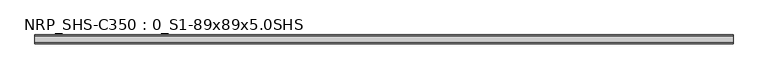
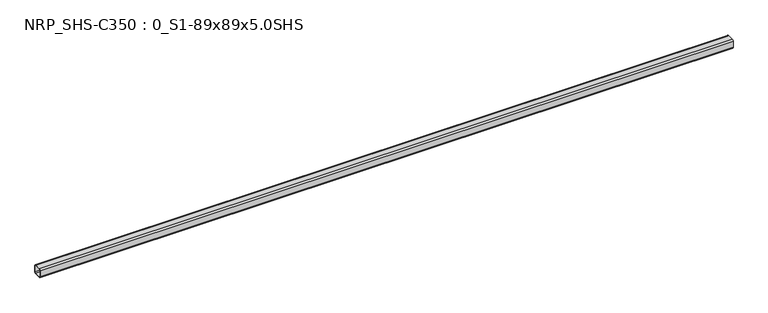
"""IFC4 building model written with IfcOpenShell, lengths in millimetres: beam geometry, NRP_SHS-C350 : 0_S1-89x89x5.0SHS."""

from ifc_helpers import new_model, si_unit, point, frame, frame_2d, origin, place, context, project, spatial, polyline, circle_curve, trimmed, segment, composite_curve, outline, extrude, source, transform, mapped, element, save


def nrp_shs_c350_0_s1_89x89x5_0shs_d1e52046(model_context):
    return source(origin(), model_context, "Body", "SweptSolid", [
        extrude(outline(composite_curve([segment(trimmed(circle_curve(frame_2d((-32.0, 32.0)), 12.5), [point((-44.5, 32.0))], [point((-32.0, 44.5))], False, "CARTESIAN"), True, "CONTINUOUS"), segment(polyline([(-32.0, 44.5), (32.0, 44.5)]), True, "CONTINUOUS"), segment(trimmed(circle_curve(frame_2d((32.0, 32.0)), 12.5), [point((32.0, 44.5))], [point((44.5, 32.0))], False, "CARTESIAN"), True, "CONTINUOUS"), segment(polyline([(44.5, 32.0), (44.5, -32.0)]), True, "CONTINUOUS"), segment(trimmed(circle_curve(frame_2d((32.0, -32.0)), 12.5), [point((44.5, -32.0))], [point((32.0, -44.5))], False, "CARTESIAN"), True, "CONTINUOUS"), segment(polyline([(32.0, -44.5), (-32.0, -44.5)]), True, "CONTINUOUS"), segment(trimmed(circle_curve(frame_2d((-32.0, -32.0)), 12.5), [point((-32.0, -44.5))], [point((-44.5, -32.0))], False, "CARTESIAN"), True, "CONTINUOUS"), segment(polyline([(-44.5, -32.0), (-44.5, 32.0)]), True, "CONTINUOUS")], self_intersect=False), holes=[composite_curve([segment(polyline([(32.0, 39.5), (-32.0, 39.5)]), True, "CONTINUOUS"), segment(trimmed(circle_curve(frame_2d((-32.0, 32.0)), 7.5), [point((-32.0, 39.5))], [point((-39.5, 32.0))], True, "CARTESIAN"), True, "CONTINUOUS"), segment(polyline([(-39.5, 32.0), (-39.5, -32.0)]), True, "CONTINUOUS"), segment(trimmed(circle_curve(frame_2d((-32.0, -32.0)), 7.5), [point((-39.5, -32.0))], [point((-32.0, -39.5))], True, "CARTESIAN"), True, "CONTINUOUS"), segment(polyline([(-32.0, -39.5), (32.0, -39.5)]), True, "CONTINUOUS"), segment(trimmed(circle_curve(frame_2d((32.0, -32.0)), 7.5), [point((32.0, -39.5))], [point((39.5, -32.0))], True, "CARTESIAN"), True, "CONTINUOUS"), segment(polyline([(39.5, -32.0), (39.5, 32.0)]), True, "CONTINUOUS"), segment(trimmed(circle_curve(frame_2d((32.0, 32.0)), 7.5), [point((39.5, 32.0))], [point((32.0, 39.5))], True, "CARTESIAN"), True, "CONTINUOUS")], self_intersect=False)]), frame((-3420.5, 0.0, 0.0), z_axis=(1.0, 0.0, 0.0), x_axis=(0.0, 1.0, 0.0)), (0.0, 0.0, 1.0), 6868.0),
    ])


if __name__ == "__main__":
    model = new_model("IFC4")
    model_context = context("Model", 3, world=origin())
    ifc_project = project(units=[si_unit("LENGTHUNIT", "METRE", prefix="MILLI")], contexts=[model_context])
    site = spatial("IfcSite", under=ifc_project)
    building = spatial("IfcBuilding", under=site)
    placement = place(None, origin())
    nrp_shs_c350_0_s1_89x89x5_0shs_shape = nrp_shs_c350_0_s1_89x89x5_0shs_d1e52046(model_context)
    element("IfcBeam", 1, ObjectType="NRP_SHS-C350 : 0_S1-89x89x5.0SHS", at=placement, inside=building, context=model_context, shape_type="MappedRepresentation", body=[
        mapped(nrp_shs_c350_0_s1_89x89x5_0shs_shape, transform((0.0, 0.0, 0.0), x_axis=(1.0, 0.0, 0.0), y_axis=(0.0, 1.0, 0.0), z_axis=(0.0, 0.0, 1.0))),
    ])
    save(model, "model.ifc")
